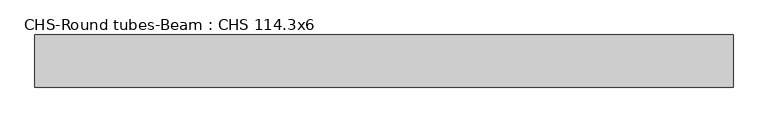
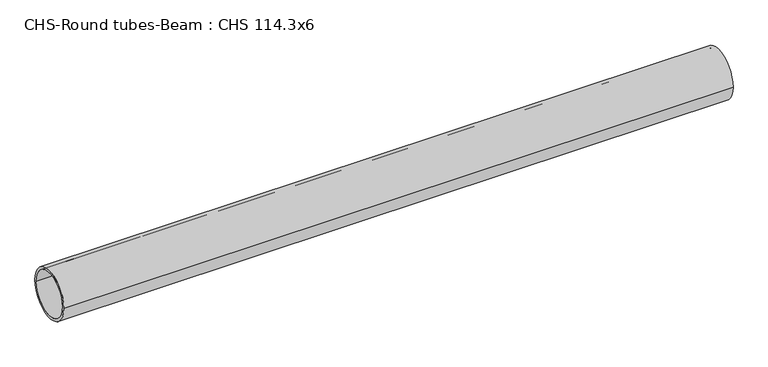
"""IFC4 building model written with IfcOpenShell, lengths in millimetres: beam geometry, CHS-Round tubes-Beam : CHS 114.3x6."""

from ifc_helpers import new_model, si_unit, point, frame, origin, origin_2d, place, context, project, spatial, circle_curve, trimmed, segment, composite_curve, outline, extrude, source, transform, mapped, element, save


def chs_round_tubes_beam_chs_114_3x6_027030da(model_context):
    return source(origin(), model_context, "Body", "SweptSolid", [
        extrude(outline(composite_curve([segment(trimmed(circle_curve(origin_2d(), 57.15), [point((57.15, 0.0))], [point((-57.15, 0.0))], False, "CARTESIAN"), True, "CONTINUOUS"), segment(trimmed(circle_curve(origin_2d(), 57.15), [point((-57.15, 0.0))], [point((57.15, 0.0))], False, "CARTESIAN"), True, "CONTINUOUS")], self_intersect=False), holes=[composite_curve([segment(trimmed(circle_curve(origin_2d(), 51.15), [point((51.15, 0.0))], [point((-51.15, 0.0))], True, "CARTESIAN"), True, "CONTINUOUS"), segment(trimmed(circle_curve(origin_2d(), 51.15), [point((-51.15, 0.0))], [point((51.15, 0.0))], True, "CARTESIAN"), True, "CONTINUOUS")], self_intersect=False)]), frame((-758.3084599, 0.0, 0.0), z_axis=(1.0, 0.0, 0.0), x_axis=(0.0, 1.0, 0.0)), (0.0, 0.0, 1.0), 1531.4570641),
    ])


if __name__ == "__main__":
    model = new_model("IFC4")
    model_context = context("Model", 3, world=origin())
    ifc_project = project(units=[si_unit("LENGTHUNIT", "METRE", prefix="MILLI")], contexts=[model_context])
    site = spatial("IfcSite", under=ifc_project)
    building = spatial("IfcBuilding", under=site)
    placement = place(None, origin())
    chs_round_tubes_beam_chs_114_3x6_shape = chs_round_tubes_beam_chs_114_3x6_027030da(model_context)
    element("IfcBeam", 1, ObjectType="CHS-Round tubes-Beam : CHS 114.3x6", at=placement, inside=building, context=model_context, shape_type="MappedRepresentation", body=[
        mapped(chs_round_tubes_beam_chs_114_3x6_shape, transform((0.0, 0.0, 0.0), x_axis=(1.0, 0.0, 0.0), y_axis=(0.0, 1.0, 0.0), z_axis=(0.0, 0.0, 1.0))),
    ])
    save(model, "model.ifc")
